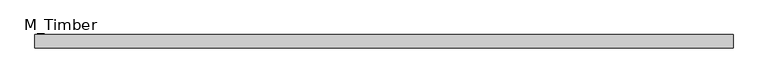
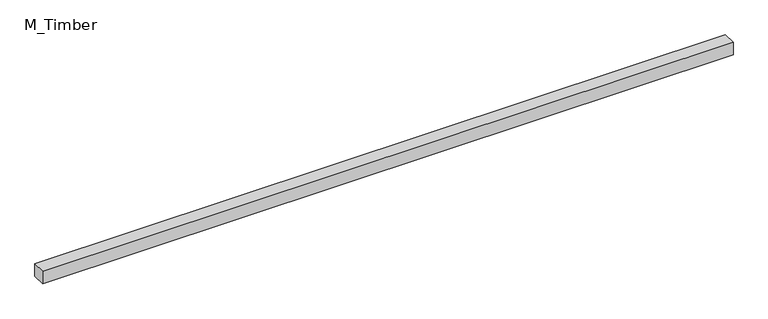
"""IFC4 building model written with IfcOpenShell, lengths in millimetres: beam geometry, M_Timber."""

from ifc_helpers import new_model, si_unit, frame, origin, place, context, project, spatial, polyline, outline, extrude, source, transform, mapped, element, save


def m_timber_7afcf4eb(model_context):
    return source(origin(), model_context, "Body", "SweptSolid", [
        extrude(outline(polyline([(1045.248937, 20.0), (1045.248937, -20.0), (-1045.248937, -20.0), (-1045.248937, 20.0), (1045.248937, 20.0)])), frame((0.0, 0.0, -20.0), z_axis=(0.0, 0.0, 1.0), x_axis=(1.0, 0.0, 0.0)), (0.0, 0.0, 1.0), 40.0),
    ])


if __name__ == "__main__":
    model = new_model("IFC4")
    model_context = context("Model", 3, world=origin())
    ifc_project = project(units=[si_unit("LENGTHUNIT", "METRE", prefix="MILLI")], contexts=[model_context])
    site = spatial("IfcSite", under=ifc_project)
    building = spatial("IfcBuilding", under=site)
    placement = place(None, origin())
    m_timber_shape = m_timber_7afcf4eb(model_context)
    element("IfcBeam", 1, ObjectType="M_Timber", at=placement, inside=building, context=model_context, shape_type="MappedRepresentation", body=[
        mapped(m_timber_shape, transform((0.0, 0.0, 0.0), x_axis=(1.0, 0.0, 0.0), y_axis=(0.0, 1.0, 0.0), z_axis=(0.0, 0.0, 1.0))),
    ])
    save(model, "model.ifc")
